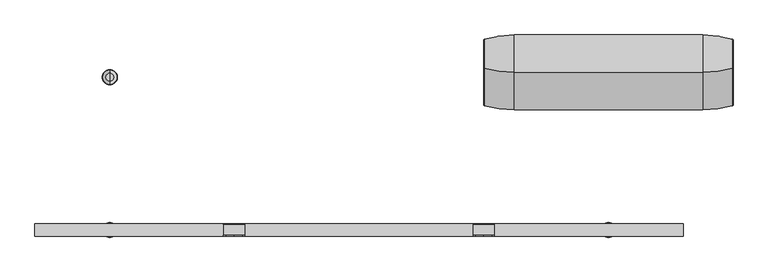
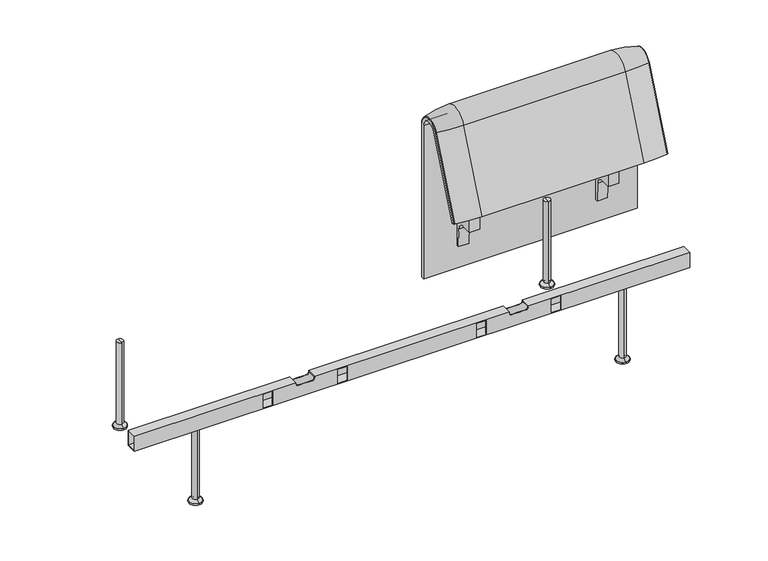
"""IFC4 building model written with IfcOpenShell, lengths in millimetres: furniture geometry."""

from ifc_helpers import new_model, si_unit, point, frame, frame_2d, origin, place, context, project, spatial, polyline, circle_curve, ellipse_curve, trimmed, segment, composite_curve, outline, extrude, source, transform, mapped, element, save
from ifc_brep_helpers import plane_surface, cylinder_surface, revolved_surface, advanced_brep


def furniture_ee4e52dd(model_context):
    return source(origin(), model_context, "Body", "SolidModel", [
        extrude(outline(composite_curve([segment(trimmed(circle_curve(frame_2d((305.0000061, 379.9223263)), 30.0), [point((305.0000061, 349.9223263))], [point((335.0000061, 379.9223263))], True, "CARTESIAN"), True, "CONTINUOUS"), segment(polyline([(335.0000061, 379.9223263), (335.0000061, 515.0657595)]), True, "CONTINUOUS"), segment(trimmed(circle_curve(frame_2d((305.0000061, 515.0657595)), 30.0), [point((335.0000061, 515.0657595))], [point((316.7219399, 542.6809051))], True, "CARTESIAN"), True, "CONTINUOUS"), segment(polyline([(316.7219399, 542.6809051), (257.4911714, 567.8228747)]), True, "CONTINUOUS"), segment(trimmed(circle_curve(frame_2d((251.6302045, 554.0153019)), 15.0), [point((257.4911714, 567.8228747))], [point((238.0355877, 560.3545758))], True, "CARTESIAN"), True, "CONTINUOUS"), segment(polyline([(238.0355877, 560.3545758), (222.2725218, 526.5505721), (213.7507451, 529.5682915), (296.3054528, 724.0549949)]), True, "CONTINUOUS"), segment(trimmed(circle_curve(frame_2d((322.520748, 712.9272623)), 28.479258), [point((296.3054528, 724.0549949))], [point((351.0000061, 712.9272623))], False, "CARTESIAN"), True, "CONTINUOUS"), segment(polyline([(351.0000061, 712.9272623), (351.0000061, 197.0551771), (343.3075759, 197.0551771), (339.4064861, 271.492405)]), True, "CONTINUOUS"), segment(trimmed(circle_curve(frame_2d((309.4476, 269.9223263)), 30.0), [point((339.4064861, 271.492405))], [point((309.4476, 299.9223263))], True, "CARTESIAN"), True, "CONTINUOUS"), segment(polyline([(309.4476, 299.9223263), (270.0000061, 299.9223263), (270.0000061, 359.9223263), (275.0000061, 359.9223263)]), True, "CONTINUOUS"), segment(trimmed(circle_curve(frame_2d((285.0000061, 359.9223263)), 10.0), [point((275.0000061, 359.9223263))], [point((285.0000061, 349.9223263))], True, "CARTESIAN"), True, "CONTINUOUS"), segment(polyline([(285.0000061, 349.9223263), (305.0000061, 349.9223263)]), True, "CONTINUOUS")], self_intersect=False), holes=[composite_curve([segment(polyline([(337.5000061, 576.3274105), (337.5000061, 716.7072663)]), True, "CONTINUOUS"), segment(trimmed(circle_curve(frame_2d((322.5000061, 716.7072663)), 15.0), [point((337.5000061, 716.7072663))], [point((308.9053893, 723.0465402))], True, "CARTESIAN"), True, "CONTINUOUS"), segment(polyline([(308.9053893, 723.0465402), (253.6256191, 604.4986904)]), True, "CONTINUOUS"), segment(trimmed(circle_curve(frame_2d((271.7517748, 596.0463251)), 20.0), [point((253.6256191, 604.4986904))], [point((265.0756376, 577.1934953))], True, "CARTESIAN"), True, "CONTINUOUS"), segment(polyline([(265.0756376, 577.1934953), (314.1406626, 559.8186587)]), True, "CONTINUOUS"), segment(trimmed(circle_curve(frame_2d((319.9867182, 576.3274105)), 17.5132879), [point((314.1406626, 559.8186587))], [point((337.5000061, 576.3274105))], True, "CARTESIAN"), True, "CONTINUOUS")], self_intersect=False)]), frame((1060.9760457, 0.0, 0.0), z_axis=(1.0, 0.0, 0.0), x_axis=(0.0, 1.0, 0.0)), (0.0, 0.0, 1.0), 40.0),
        advanced_brep(
        [(1123.9884174, 388.2902376, 100.5089435), (1221.8497889, 373.93893, 100.5089435), (1223.9884174, 371.0652495, 100.5089435), (1223.9884174, 359.7858817, 100.5089435), (407.9740803, 359.7858817, 100.5089435), (407.9740803, 371.0652495, 100.5089435), (410.1127088, 373.93893, 100.5089435), (507.9740803, 388.2902376, 100.5089435), (507.9740803, 388.2902376, 720.3417731), (1123.9884174, 388.2902376, 720.3417731), (1221.8497889, 373.93893, 720.3417731), (1223.9884174, 371.0652495, 720.3417731), (1223.9884174, 282.0164812, 738.0210907), (1223.9884174, 159.7723383, 442.2908598), (1223.9884174, 170.1962447, 437.9819952), (1223.9884174, 292.4403877, 733.7122262), (1223.9884174, 359.7858817, 720.3417731), (407.9740803, 359.7858817, 720.3417731), (1123.9884174, 143.8537454, 448.8710282), (507.9740803, 143.8537454, 448.8710282), (410.1127088, 157.1166065, 443.3886429), (407.9740803, 159.7723383, 442.2908598), (407.9740803, 170.1962447, 437.9819952), (1221.8497889, 157.1166065, 443.3886429), (1123.9884174, 266.0978884, 744.6012592), (507.9740803, 266.0978884, 744.6012592), (1221.8497889, 279.3607494, 739.1188739), (407.9740803, 292.4403877, 733.7122262), (407.9740803, 282.0164812, 738.0210907), (407.9740803, 371.0652495, 720.3417731), (410.1127088, 373.93893, 720.3417731), (410.1127088, 279.3607494, 739.1188739)],
        [
            (0, 1, circle_curve(frame((1123.9884174, 47.4569043, 100.5089435), z_axis=(0.0, 0.0, -1.0), x_axis=(0.0, -1.0, 0.0)), 340.8333333)),
            (1, 2, circle_curve(frame((1220.9884174, 371.0652495, 100.5089435), z_axis=(0.0, 0.0, -1.0), x_axis=(1.0, 0.0, 0.0)), 3.0)),
            (2, 3),
            (3, 4),
            (4, 5),
            (5, 6, circle_curve(frame((410.9740803, 371.0652495, 100.5089435), z_axis=(0.0, 0.0, -1.0), x_axis=(-1.0, 0.0, 0.0)), 3.0)),
            (6, 7, circle_curve(frame((507.9740803, 47.4569043, 100.5089435), z_axis=(0.0, 0.0, -1.0), x_axis=(0.0, -1.0, 0.0)), 340.8333333)),
            (7, 0),
            (7, 8),
            (8, 9),
            (9, 0),
            (9, 10, circle_curve(frame((1123.9884174, 47.4569043, 720.3417731), z_axis=(0.0, 0.0, -1.0), x_axis=(0.0, -1.0, 0.0)), 340.8333333)),
            (10, 1),
            (10, 11, circle_curve(frame((1220.9884174, 371.0652495, 720.3417731), z_axis=(0.0, 0.0, -1.0), x_axis=(1.0, 0.0, 0.0)), 3.0)),
            (11, 2),
            (11, 12, circle_curve(frame((1223.9884174, 324.7858817, 720.3417731), z_axis=(1.0, 0.0, 0.0), x_axis=(0.0, 1.0, 0.0)), 46.2793679)),
            (12, 13),
            (13, 14),
            (14, 15),
            (15, 16, circle_curve(frame((1223.9884174, 324.7858817, 720.3417731), z_axis=(-1.0, 0.0, 0.0), x_axis=(0.0, 1.0, 0.0)), 35.0)),
            (16, 3),
            (16, 17),
            (17, 4),
            (18, 19),
            (19, 20, circle_curve(frame((507.9740803, 458.8372467, 318.6682822), z_axis=(0.0, -0.38201294675155345, -0.9241569717933176), x_axis=(0.0, 0.9241569717933176, -0.38201294675155345)), 340.8333333)),
            (20, 21, circle_curve(frame((410.9740803, 159.7723383, 442.2908598), z_axis=(0.0, -0.38201294675155345, -0.9241569717933176), x_axis=(-1.0, 0.0, 0.0)), 3.0)),
            (21, 22),
            (22, 14),
            (13, 23, circle_curve(frame((1220.9884174, 159.7723383, 442.2908598), z_axis=(0.0, -0.38201294675155345, -0.9241569717933176), x_axis=(1.0, 0.0, 0.0)), 3.0)),
            (23, 18, circle_curve(frame((1123.9884174, 458.8372467, 318.6682822), z_axis=(0.0, -0.38201294675155345, -0.9241569717933176), x_axis=(0.0, 0.9241569717933176, -0.38201294675155345)), 340.8333333)),
            (24, 9, circle_curve(frame((1123.9884174, 324.7858817, 720.3417731), z_axis=(-1.0, 0.0, 0.0), x_axis=(0.0, 1.0, 0.0)), 63.5043559)),
            (8, 25, circle_curve(frame((507.9740803, 324.7858817, 720.3417731), z_axis=(1.0, 0.0, 0.0), x_axis=(0.0, 1.0, 0.0)), 63.5043559)),
            (25, 24),
            (26, 10, circle_curve(frame((1221.8497889, 324.7858817, 720.3417731), z_axis=(-1.0, 0.0, 0.0), x_axis=(0.0, 1.0, 0.0)), 49.1530483)),
            (24, 26, circle_curve(frame((1123.9884174, 581.0813896, 614.3985132), z_axis=(0.0, 0.382012946751556, 0.9241569717933165), x_axis=(0.0, 0.9241569717933165, -0.382012946751556)), 340.8333333)),
            (26, 12, circle_curve(frame((1220.9884174, 282.0164812, 738.0210907), z_axis=(0.0, 0.3820129467515552, 0.9241569717933168), x_axis=(1.0, 0.0, 0.0)), 3.0)),
            (27, 17, circle_curve(frame((407.9740803, 324.7858817, 720.3417731), z_axis=(-1.0, 0.0, 0.0), x_axis=(0.0, 1.0, 0.0)), 35.0)),
            (15, 27),
            (25, 19),
            (18, 24),
            (23, 26),
            (22, 27),
            (21, 28),
            (28, 29, circle_curve(frame((407.9740803, 324.7858817, 720.3417731), z_axis=(-1.0, 0.0, 0.0), x_axis=(0.0, 1.0, 0.0)), 46.2793679)),
            (29, 5),
            (29, 30, circle_curve(frame((410.9740803, 371.0652495, 720.3417731), z_axis=(0.0, 0.0, -1.0), x_axis=(-1.0, 0.0, 0.0)), 3.0)),
            (30, 6),
            (30, 8, circle_curve(frame((507.9740803, 47.4569043, 720.3417731), z_axis=(0.0, 0.0, -1.0), x_axis=(0.0, -1.0, 0.0)), 340.8333333)),
            (31, 30, circle_curve(frame((410.1127088, 324.7858817, 720.3417731), z_axis=(-1.0, 0.0, 0.0), x_axis=(0.0, 1.0, 0.0)), 49.1530483)),
            (28, 31, circle_curve(frame((410.9740803, 282.0164812, 738.0210907), z_axis=(0.0, 0.3820129467515544, 0.9241569717933172), x_axis=(-1.0, 0.0, 0.0)), 3.0)),
            (31, 25, circle_curve(frame((507.9740803, 581.0813896, 614.3985132), z_axis=(0.0, 0.3820129467515532, 0.9241569717933177), x_axis=(0.0, 0.9241569717933177, -0.3820129467515532)), 340.8333333)),
            (20, 31),
        ],
        [
            plane_surface(frame((820.7462721, 359.7858817, 100.5089435), z_axis=(0.0, 0.0, -1.0), x_axis=(1.0, 0.0, 0.0))),
            plane_surface(frame((507.9740803, 388.2902376, 100.5089435), z_axis=(0.0, 1.0, 0.0), x_axis=(0.0, 0.0, 1.0))),
            cylinder_surface(frame((1123.9884174, 47.4569043, 100.5089435), z_axis=(0.0, 0.0, -1.0), x_axis=(0.0, -1.0, 0.0)), 340.8333333),
            cylinder_surface(frame((1220.9884174, 371.0652495, 100.5089435), z_axis=(0.0, 0.0, -1.0), x_axis=(1.0, 0.0, 0.0)), 3.0),
            plane_surface(frame((1223.9884174, 371.0652495, 100.5089435), z_axis=(1.0, 0.0, 0.0), x_axis=(0.0, 0.0, 1.0))),
            plane_surface(frame((1223.9884174, 359.7858817, 100.5089435), z_axis=(0.0, -1.0, 0.0), x_axis=(0.0, 0.0, 1.0))),
            plane_surface(frame((820.7462721, 170.1962447, 437.9819952), z_axis=(0.0, -0.38201294675155345, -0.9241569717933176), x_axis=(1.0, 0.0, 0.0))),
            cylinder_surface(frame((820.7462721, 324.7858817, 720.3417731), z_axis=(1.0, 0.0, 0.0), x_axis=(0.0, 1.0, 0.0)), 63.5043559),
            revolved_surface(trimmed(ellipse_curve(frame((1123.9884174, 47.4569043, 720.3417731), z_axis=(0.0, 0.0, -1.0), x_axis=(0.0, -1.0, 0.0)), 340.8333333, 340.8333333), [point((1123.9884174, 388.2902376, 720.3417731))], [point((1221.8497889, 373.93893, 720.3417731))], True, "CARTESIAN"), (820.7462721, 324.7858817, 720.3417731), (1.0, 0.0, 0.0)),
            revolved_surface(trimmed(ellipse_curve(frame((1220.9884174, 371.0652495, 720.3417731), z_axis=(0.0, 0.0, -1.0), x_axis=(1.0, 0.0, 0.0)), 3.0, 3.0), [point((1221.8497889, 373.93893, 720.3417731))], [point((1223.9884174, 371.0652495, 720.3417731))], True, "CARTESIAN"), (820.7462721, 324.7858817, 720.3417731), (1.0, 0.0, 0.0)),
            revolved_surface(polyline([(1223.9884174, 359.7858817, 720.3417731), (407.9740803, 359.7858817, 720.3417731)]), (820.7462721, 324.7858817, 720.3417731), (1.0, 0.0, 0.0)),
            plane_surface(frame((507.9740803, 266.0978884, 744.6012592), z_axis=(0.0, -0.9241569717933176, 0.38201294675155356), x_axis=(0.0, -0.38201294675155356, -0.9241569717933176))),
            cylinder_surface(frame((1123.9884174, 581.0813896, 614.3985132), z_axis=(0.0, 0.38201294675155345, 0.9241569717933176), x_axis=(0.0, 0.9241569717933176, -0.38201294675155345)), 340.8333333),
            cylinder_surface(frame((1220.9884174, 282.0164812, 738.0210907), z_axis=(0.0, 0.38201294675155345, 0.9241569717933176), x_axis=(1.0, 0.0, 0.0)), 3.0),
            plane_surface(frame((1223.9884174, 292.4403877, 733.7122262), z_axis=(0.0, 0.9241569717933176, -0.38201294675155356), x_axis=(0.0, -0.38201294675155356, -0.9241569717933176))),
            plane_surface(frame((407.9740803, 359.7858817, 100.5089435), z_axis=(-1.0, 0.0, 0.0), x_axis=(0.0, 0.0, 1.0))),
            cylinder_surface(frame((410.9740803, 371.0652495, 100.5089435), z_axis=(0.0, 0.0, -1.0), x_axis=(-1.0, 0.0, 0.0)), 3.0),
            cylinder_surface(frame((507.9740803, 47.4569043, 100.5089435), z_axis=(0.0, 0.0, -1.0), x_axis=(0.0, -1.0, 0.0)), 340.8333333),
            revolved_surface(trimmed(ellipse_curve(frame((410.9740803, 371.0652495, 720.3417731), z_axis=(0.0, 0.0, -1.0), x_axis=(-1.0, 0.0, 0.0)), 3.0, 3.0), [point((407.9740803, 371.0652495, 720.3417731))], [point((410.1127088, 373.93893, 720.3417731))], True, "CARTESIAN"), (820.7462721, 324.7858817, 720.3417731), (1.0, 0.0, 0.0)),
            revolved_surface(trimmed(ellipse_curve(frame((507.9740803, 47.4569043, 720.3417731), z_axis=(0.0, 0.0, -1.0), x_axis=(0.0, -1.0, 0.0)), 340.8333333, 340.8333333), [point((410.1127088, 373.93893, 720.3417731))], [point((507.9740803, 388.2902376, 720.3417731))], True, "CARTESIAN"), (820.7462721, 324.7858817, 720.3417731), (1.0, 0.0, 0.0)),
            cylinder_surface(frame((410.9740803, 282.0164812, 738.0210907), z_axis=(0.0, 0.38201294675155345, 0.9241569717933176), x_axis=(-1.0, 0.0, 0.0)), 3.0),
            cylinder_surface(frame((507.9740803, 581.0813896, 614.3985132), z_axis=(0.0, 0.38201294675155345, 0.9241569717933176), x_axis=(0.0, 0.9241569717933176, -0.38201294675155345)), 340.8333333),
        ],
        [
            (0, [[1, 2, 3, 4, 5, 6, 7, 8]]),
            (1, [[-8, 9, 10, 11]]),
            (2, [[-1, -11, 12, 13]]),
            (3, [[-2, -13, 14, 15]]),
            (4, [[-3, -15, 16, 17, 18, 19, 20, 21]]),
            (5, [[-4, -21, 22, 23]]),
            (6, [[24, 25, 26, 27, 28, -18, 29, 30]]),
            (7, [[31, -10, 32, 33]]),
            (8, [[34, -12, -31, 35]]),
            (9, [[-16, -14, -34, 36]]),
            (10, [[37, -22, -20, 38]]),
            (11, [[-33, 39, -24, 40]]),
            (12, [[-35, -40, -30, 41]]),
            (13, [[-36, -41, -29, -17]]),
            (14, [[-38, -19, -28, 42]]),
            (15, [[-5, -23, -37, -42, -27, 43, 44, 45]]),
            (16, [[-6, -45, 46, 47]]),
            (17, [[-7, -47, 48, -9]]),
            (18, [[49, -46, -44, 50]]),
            (19, [[-32, -48, -49, 51]]),
            (20, [[-50, -43, -26, 52]]),
            (21, [[-51, -52, -25, -39]]),
        ],
    ),
        extrude(outline(composite_curve([segment(trimmed(circle_curve(frame_2d((305.0000061, 379.9223263)), 30.0), [point((305.0000061, 349.9223263))], [point((335.0000061, 379.9223263))], True, "CARTESIAN"), True, "CONTINUOUS"), segment(polyline([(335.0000061, 379.9223263), (335.0000061, 515.0657595)]), True, "CONTINUOUS"), segment(trimmed(circle_curve(frame_2d((305.0000061, 515.0657595)), 30.0), [point((335.0000061, 515.0657595))], [point((316.7219399, 542.6809051))], True, "CARTESIAN"), True, "CONTINUOUS"), segment(polyline([(316.7219399, 542.6809051), (257.4911714, 567.8228747)]), True, "CONTINUOUS"), segment(trimmed(circle_curve(frame_2d((251.6302045, 554.0153019)), 15.0), [point((257.4911714, 567.8228747))], [point((238.0355877, 560.3545758))], True, "CARTESIAN"), True, "CONTINUOUS"), segment(polyline([(238.0355877, 560.3545758), (222.2725218, 526.5505721), (213.7507451, 529.5682915), (296.3054528, 724.0549949)]), True, "CONTINUOUS"), segment(trimmed(circle_curve(frame_2d((322.520748, 712.9272623)), 28.479258), [point((296.3054528, 724.0549949))], [point((351.0000061, 712.9272623))], False, "CARTESIAN"), True, "CONTINUOUS"), segment(polyline([(351.0000061, 712.9272623), (351.0000061, 197.0551771), (343.3075759, 197.0551771), (339.4064861, 271.492405)]), True, "CONTINUOUS"), segment(trimmed(circle_curve(frame_2d((309.4476, 269.9223263)), 30.0), [point((339.4064861, 271.492405))], [point((309.4476, 299.9223263))], True, "CARTESIAN"), True, "CONTINUOUS"), segment(polyline([(309.4476, 299.9223263), (270.0000061, 299.9223263), (270.0000061, 359.9223263), (275.0000061, 359.9223263)]), True, "CONTINUOUS"), segment(trimmed(circle_curve(frame_2d((285.0000061, 359.9223263)), 10.0), [point((275.0000061, 359.9223263))], [point((285.0000061, 349.9223263))], True, "CARTESIAN"), True, "CONTINUOUS"), segment(polyline([(285.0000061, 349.9223263), (305.0000061, 349.9223263)]), True, "CONTINUOUS")], self_intersect=False), holes=[composite_curve([segment(polyline([(337.5000061, 576.3274105), (337.5000061, 716.7072663)]), True, "CONTINUOUS"), segment(trimmed(circle_curve(frame_2d((322.5000061, 716.7072663)), 15.0), [point((337.5000061, 716.7072663))], [point((308.9053893, 723.0465402))], True, "CARTESIAN"), True, "CONTINUOUS"), segment(polyline([(308.9053893, 723.0465402), (253.6256191, 604.4986904)]), True, "CONTINUOUS"), segment(trimmed(circle_curve(frame_2d((271.7517748, 596.0463251)), 20.0), [point((253.6256191, 604.4986904))], [point((265.0756376, 577.1934953))], True, "CARTESIAN"), True, "CONTINUOUS"), segment(polyline([(265.0756376, 577.1934953), (314.1406626, 559.8186587)]), True, "CONTINUOUS"), segment(trimmed(circle_curve(frame_2d((319.9867182, 576.3274105)), 17.5132879), [point((314.1406626, 559.8186587))], [point((337.5000061, 576.3274105))], True, "CARTESIAN"), True, "CONTINUOUS")], self_intersect=False)]), frame((530.986452, 0.0, 0.0), z_axis=(1.0, 0.0, 0.0), x_axis=(0.0, 1.0, 0.0)), (0.0, 0.0, 1.0), 40.0),
        advanced_brep(
        [(815.9812488, -250.0000031, 0.0), (815.9812488, -225.0000031, 0.0), (815.9812488, -275.0000031, 0.0), (815.9812488, -262.4715672, 344.8637637), (815.9812488, -237.5284391, 344.8637637), (815.9812488, -250.0000031, 344.8637637), (815.9812488, -262.4715672, 16.2604994), (815.9812488, -237.5284391, 16.2604994), (815.9812488, -273.2294713, 5.5025953), (815.9812488, -226.770535, 5.5025953), (815.9812488, -275.0000031, 5.5025953), (815.9812488, -225.0000031, 5.5025953)],
        [
            (0, 1),
            (1, 2, circle_curve(frame((815.9812488, -250.0000031, 0.0), z_axis=(0.0, 0.0, -1.0), x_axis=(0.0, 1.0, 0.0)), 25.0)),
            (2, 0),
            (2, 1, circle_curve(frame((815.9812488, -250.0000031, 0.0), z_axis=(0.0, 0.0, -1.0), x_axis=(0.0, 1.0, 0.0)), 25.0)),
            (3, 4, circle_curve(frame((815.9812488, -250.0000031, 344.8637637), z_axis=(0.0, 0.0, 1.0), x_axis=(0.0, 1.0, 0.0)), 12.471564)),
            (4, 5),
            (5, 3),
            (4, 3, circle_curve(frame((815.9812488, -250.0000031, 344.8637637), z_axis=(0.0, 0.0, 1.0), x_axis=(0.0, 1.0, 0.0)), 12.471564)),
            (6, 7, circle_curve(frame((815.9812488, -250.0000031, 16.2604994), z_axis=(0.0, 0.0, 1.0), x_axis=(0.0, 1.0, 0.0)), 12.471564)),
            (7, 4),
            (3, 6),
            (7, 6, circle_curve(frame((815.9812488, -250.0000031, 16.2604994), z_axis=(0.0, 0.0, 1.0), x_axis=(0.0, 1.0, 0.0)), 12.471564)),
            (8, 9, circle_curve(frame((815.9812488, -250.0000031, 5.5025953), z_axis=(0.0, 0.0, 1.0), x_axis=(0.0, 1.0, 0.0)), 23.2294681)),
            (9, 7, circle_curve(frame((815.9812488, -226.770535, 16.2604994), z_axis=(-1.0, 0.0, 0.0), x_axis=(0.0, 1.0, 0.0)), 10.7579041)),
            (6, 8, circle_curve(frame((815.9812488, -273.2294713, 16.2604994), z_axis=(-1.0, 0.0, 0.0), x_axis=(0.0, -1.0, 0.0)), 10.7579041)),
            (9, 8, circle_curve(frame((815.9812488, -250.0000031, 5.5025953), z_axis=(0.0, 0.0, 1.0), x_axis=(0.0, 1.0, 0.0)), 23.2294681)),
            (10, 11, circle_curve(frame((815.9812488, -250.0000031, 5.5025953), z_axis=(0.0, 0.0, 1.0), x_axis=(0.0, 1.0, 0.0)), 25.0)),
            (11, 9),
            (8, 10),
            (11, 10, circle_curve(frame((815.9812488, -250.0000031, 5.5025953), z_axis=(0.0, 0.0, 1.0), x_axis=(0.0, 1.0, 0.0)), 25.0)),
            (1, 11),
            (10, 2),
        ],
        [
            plane_surface(frame((815.9812488, -250.0000031, 0.0), z_axis=(0.0, 0.0, -1.0), x_axis=(0.0, 1.0, 0.0))),
            plane_surface(frame((815.9812488, -250.0000031, 344.8637637), z_axis=(0.0, 0.0, 1.0), x_axis=(0.0, 1.0, 0.0))),
            cylinder_surface(frame((815.9812488, -250.0000031, 344.8637637), z_axis=(0.0, 0.0, -1.0), x_axis=(0.0, 1.0, 0.0)), 12.471564),
            revolved_surface(trimmed(ellipse_curve(frame((815.9812488, -226.770535, 16.2604994), z_axis=(1.0, 0.0, 0.0), x_axis=(0.0, 1.0, 0.0)), 10.7579041, 10.7579041), [point((815.9812488, -237.5284391, 16.2604994))], [point((815.9812488, -226.770535, 5.5025953))], True, "CARTESIAN"), (815.9812488, -250.0000031, 344.8637637), (0.0, 0.0, -1.0)),
            plane_surface(frame((815.9812488, -250.0000031, 5.5025953), z_axis=(0.0, 0.0, 1.0), x_axis=(0.0, 1.0, 0.0))),
            cylinder_surface(frame((815.9812488, -250.0000031, 344.8637637), z_axis=(0.0, 0.0, -1.0), x_axis=(0.0, 1.0, 0.0)), 25.0),
        ],
        [
            (0, [[1, 2, 3]]),
            (0, [[-3, 4, -1]]),
            (1, [[5, 6, 7]]),
            (1, [[8, -7, -6]]),
            (2, [[9, 10, -5, 11]]),
            (2, [[12, -11, -8, -10]]),
            (3, [[13, 14, -9, 15]]),
            (3, [[16, -15, -12, -14]]),
            (4, [[17, 18, -13, 19]]),
            (4, [[20, -19, -16, -18]]),
            (5, [[-2, 21, -17, 22]]),
            (5, [[-4, -22, -20, -21]]),
        ],
    ),
        advanced_brep(
        [(815.9812488, 275.0000031, 0.0), (815.9812488, 225.0000031, 0.0), (815.9812488, 250.0000031, 0.0), (815.9812488, 250.0000031, 344.8637637), (815.9812488, 237.5284391, 344.8637637), (815.9812488, 262.4715672, 344.8637637), (815.9812488, 237.5284391, 16.2604994), (815.9812488, 262.4715672, 16.2604994), (815.9812488, 226.770535, 5.5025953), (815.9812488, 273.2294713, 5.5025953), (815.9812488, 225.0000031, 5.5025953), (815.9812488, 275.0000031, 5.5025953)],
        [
            (0, 1, circle_curve(frame((815.9812488, 250.0000031, 0.0), z_axis=(0.0, 0.0, -1.0), x_axis=(0.0, -1.0, 0.0)), 25.0)),
            (1, 2),
            (2, 0),
            (1, 0, circle_curve(frame((815.9812488, 250.0000031, 0.0), z_axis=(0.0, 0.0, -1.0), x_axis=(0.0, -1.0, 0.0)), 25.0)),
            (3, 4),
            (4, 5, circle_curve(frame((815.9812488, 250.0000031, 344.8637637), z_axis=(0.0, 0.0, 1.0), x_axis=(0.0, -1.0, 0.0)), 12.471564)),
            (5, 3),
            (5, 4, circle_curve(frame((815.9812488, 250.0000031, 344.8637637), z_axis=(0.0, 0.0, 1.0), x_axis=(0.0, -1.0, 0.0)), 12.471564)),
            (4, 6),
            (6, 7, circle_curve(frame((815.9812488, 250.0000031, 16.2604994), z_axis=(0.0, 0.0, 1.0), x_axis=(0.0, -1.0, 0.0)), 12.471564)),
            (7, 5),
            (7, 6, circle_curve(frame((815.9812488, 250.0000031, 16.2604994), z_axis=(0.0, 0.0, 1.0), x_axis=(0.0, -1.0, 0.0)), 12.471564)),
            (6, 8, circle_curve(frame((815.9812488, 226.770535, 16.2604994), z_axis=(-1.0, 0.0, 0.0), x_axis=(0.0, -1.0, 0.0)), 10.7579041)),
            (8, 9, circle_curve(frame((815.9812488, 250.0000031, 5.5025953), z_axis=(0.0, 0.0, 1.0), x_axis=(0.0, -1.0, 0.0)), 23.2294681)),
            (9, 7, circle_curve(frame((815.9812488, 273.2294713, 16.2604994), z_axis=(-1.0, 0.0, 0.0), x_axis=(0.0, 1.0, 0.0)), 10.7579041)),
            (9, 8, circle_curve(frame((815.9812488, 250.0000031, 5.5025953), z_axis=(0.0, 0.0, 1.0), x_axis=(0.0, -1.0, 0.0)), 23.2294681)),
            (8, 10),
            (10, 11, circle_curve(frame((815.9812488, 250.0000031, 5.5025953), z_axis=(0.0, 0.0, 1.0), x_axis=(0.0, -1.0, 0.0)), 25.0)),
            (11, 9),
            (11, 10, circle_curve(frame((815.9812488, 250.0000031, 5.5025953), z_axis=(0.0, 0.0, 1.0), x_axis=(0.0, -1.0, 0.0)), 25.0)),
            (10, 1),
            (0, 11),
        ],
        [
            plane_surface(frame((815.9812488, 250.0000031, 0.0), z_axis=(0.0, 0.0, -1.0), x_axis=(0.0, -1.0, 0.0))),
            plane_surface(frame((815.9812488, 250.0000031, 344.8637637), z_axis=(0.0, 0.0, 1.0), x_axis=(0.0, -1.0, 0.0))),
            cylinder_surface(frame((815.9812488, 250.0000031, 344.8637637), z_axis=(0.0, 0.0, 1.0), x_axis=(0.0, -1.0, 0.0)), 12.471564),
            revolved_surface(trimmed(ellipse_curve(frame((815.9812488, 226.770535, 16.2604994), z_axis=(1.0, 0.0, 0.0), x_axis=(0.0, -1.0, 0.0)), 10.7579041, 10.7579041), [point((815.9812488, 226.770535, 5.5025953))], [point((815.9812488, 237.5284391, 16.2604994))], True, "CARTESIAN"), (815.9812488, 250.0000031, 344.8637637), (0.0, 0.0, 1.0)),
            plane_surface(frame((815.9812488, 250.0000031, 5.5025953), z_axis=(0.0, 0.0, 1.0), x_axis=(0.0, -1.0, 0.0))),
            cylinder_surface(frame((815.9812488, 250.0000031, 344.8637637), z_axis=(0.0, 0.0, 1.0), x_axis=(0.0, -1.0, 0.0)), 25.0),
        ],
        [
            (0, [[1, 2, 3]]),
            (0, [[4, -3, -2]]),
            (1, [[5, 6, 7]]),
            (1, [[-7, 8, -5]]),
            (2, [[-6, 9, 10, 11]]),
            (2, [[-8, -11, 12, -9]]),
            (3, [[-10, 13, 14, 15]]),
            (3, [[-12, -15, 16, -13]]),
            (4, [[-14, 17, 18, 19]]),
            (4, [[-16, -19, 20, -17]]),
            (5, [[-18, 21, -1, 22]]),
            (5, [[-20, -22, -4, -21]]),
        ],
    ),
        advanced_brep(
        [(-815.9812488, -275.0000031, 0.0), (-815.9812488, -225.0000031, 0.0), (-815.9812488, -250.0000031, 0.0), (-815.9812488, -250.0000031, 344.8637637), (-815.9812488, -237.5284391, 344.8637637), (-815.9812488, -262.4715672, 344.8637637), (-815.9812488, -237.5284391, 16.2604994), (-815.9812488, -262.4715672, 16.2604994), (-815.9812488, -226.770535, 5.5025953), (-815.9812488, -273.2294713, 5.5025953), (-815.9812488, -225.0000031, 5.5025953), (-815.9812488, -275.0000031, 5.5025953)],
        [
            (0, 1, circle_curve(frame((-815.9812488, -250.0000031, 0.0), z_axis=(0.0, 0.0, -1.0), x_axis=(0.0, 1.0, 0.0)), 25.0)),
            (1, 2),
            (2, 0),
            (1, 0, circle_curve(frame((-815.9812488, -250.0000031, 0.0), z_axis=(0.0, 0.0, -1.0), x_axis=(0.0, 1.0, 0.0)), 25.0)),
            (3, 4),
            (4, 5, circle_curve(frame((-815.9812488, -250.0000031, 344.8637637), z_axis=(0.0, 0.0, 1.0), x_axis=(0.0, 1.0, 0.0)), 12.471564)),
            (5, 3),
            (5, 4, circle_curve(frame((-815.9812488, -250.0000031, 344.8637637), z_axis=(0.0, 0.0, 1.0), x_axis=(0.0, 1.0, 0.0)), 12.471564)),
            (4, 6),
            (6, 7, circle_curve(frame((-815.9812488, -250.0000031, 16.2604994), z_axis=(0.0, 0.0, 1.0), x_axis=(0.0, 1.0, 0.0)), 12.471564)),
            (7, 5),
            (7, 6, circle_curve(frame((-815.9812488, -250.0000031, 16.2604994), z_axis=(0.0, 0.0, 1.0), x_axis=(0.0, 1.0, 0.0)), 12.471564)),
            (6, 8, circle_curve(frame((-815.9812488, -226.770535, 16.2604994), z_axis=(1.0, 0.0, 0.0), x_axis=(0.0, 1.0, 0.0)), 10.7579041)),
            (8, 9, circle_curve(frame((-815.9812488, -250.0000031, 5.5025953), z_axis=(0.0, 0.0, 1.0), x_axis=(0.0, 1.0, 0.0)), 23.2294681)),
            (9, 7, circle_curve(frame((-815.9812488, -273.2294713, 16.2604994), z_axis=(1.0, 0.0, 0.0), x_axis=(0.0, -1.0, 0.0)), 10.7579041)),
            (9, 8, circle_curve(frame((-815.9812488, -250.0000031, 5.5025953), z_axis=(0.0, 0.0, 1.0), x_axis=(0.0, 1.0, 0.0)), 23.2294681)),
            (8, 10),
            (10, 11, circle_curve(frame((-815.9812488, -250.0000031, 5.5025953), z_axis=(0.0, 0.0, 1.0), x_axis=(0.0, 1.0, 0.0)), 25.0)),
            (11, 9),
            (11, 10, circle_curve(frame((-815.9812488, -250.0000031, 5.5025953), z_axis=(0.0, 0.0, 1.0), x_axis=(0.0, 1.0, 0.0)), 25.0)),
            (10, 1),
            (0, 11),
        ],
        [
            plane_surface(frame((-815.9812488, -250.0000031, 0.0), z_axis=(0.0, 0.0, -1.0), x_axis=(0.0, 1.0, 0.0))),
            plane_surface(frame((-815.9812488, -250.0000031, 344.8637637), z_axis=(0.0, 0.0, 1.0), x_axis=(0.0, 1.0, 0.0))),
            cylinder_surface(frame((-815.9812488, -250.0000031, 344.8637637), z_axis=(0.0, 0.0, 1.0), x_axis=(0.0, 1.0, 0.0)), 12.471564),
            revolved_surface(trimmed(ellipse_curve(frame((-815.9812488, -226.770535, 16.2604994), z_axis=(-1.0, 0.0, 0.0), x_axis=(0.0, 1.0, 0.0)), 10.7579041, 10.7579041), [point((-815.9812488, -226.770535, 5.5025953))], [point((-815.9812488, -237.5284391, 16.2604994))], True, "CARTESIAN"), (-815.9812488, -250.0000031, 344.8637637), (0.0, 0.0, 1.0)),
            plane_surface(frame((-815.9812488, -250.0000031, 5.5025953), z_axis=(0.0, 0.0, 1.0), x_axis=(0.0, 1.0, 0.0))),
            cylinder_surface(frame((-815.9812488, -250.0000031, 344.8637637), z_axis=(0.0, 0.0, 1.0), x_axis=(0.0, 1.0, 0.0)), 25.0),
        ],
        [
            (0, [[1, 2, 3]]),
            (0, [[4, -3, -2]]),
            (1, [[5, 6, 7]]),
            (1, [[-7, 8, -5]]),
            (2, [[-6, 9, 10, 11]]),
            (2, [[-8, -11, 12, -9]]),
            (3, [[-10, 13, 14, 15]]),
            (3, [[-12, -15, 16, -13]]),
            (4, [[-14, 17, 18, 19]]),
            (4, [[-16, -19, 20, -17]]),
            (5, [[-18, 21, -1, 22]]),
            (5, [[-20, -22, -4, -21]]),
        ],
    ),
        advanced_brep(
        [(-815.9812488, 250.0000031, 0.0), (-815.9812488, 225.0000031, 0.0), (-815.9812488, 275.0000031, 0.0), (-815.9812488, 262.4715672, 344.8637637), (-815.9812488, 237.5284391, 344.8637637), (-815.9812488, 250.0000031, 344.8637637), (-815.9812488, 262.4715672, 16.2604994), (-815.9812488, 237.5284391, 16.2604994), (-815.9812488, 273.2294713, 5.5025953), (-815.9812488, 226.770535, 5.5025953), (-815.9812488, 275.0000031, 5.5025953), (-815.9812488, 225.0000031, 5.5025953)],
        [
            (0, 1),
            (1, 2, circle_curve(frame((-815.9812488, 250.0000031, 0.0), z_axis=(0.0, 0.0, -1.0), x_axis=(0.0, -1.0, 0.0)), 25.0)),
            (2, 0),
            (2, 1, circle_curve(frame((-815.9812488, 250.0000031, 0.0), z_axis=(0.0, 0.0, -1.0), x_axis=(0.0, -1.0, 0.0)), 25.0)),
            (3, 4, circle_curve(frame((-815.9812488, 250.0000031, 344.8637637), z_axis=(0.0, 0.0, 1.0), x_axis=(0.0, -1.0, 0.0)), 12.471564)),
            (4, 5),
            (5, 3),
            (4, 3, circle_curve(frame((-815.9812488, 250.0000031, 344.8637637), z_axis=(0.0, 0.0, 1.0), x_axis=(0.0, -1.0, 0.0)), 12.471564)),
            (6, 7, circle_curve(frame((-815.9812488, 250.0000031, 16.2604994), z_axis=(0.0, 0.0, 1.0), x_axis=(0.0, -1.0, 0.0)), 12.471564)),
            (7, 4),
            (3, 6),
            (7, 6, circle_curve(frame((-815.9812488, 250.0000031, 16.2604994), z_axis=(0.0, 0.0, 1.0), x_axis=(0.0, -1.0, 0.0)), 12.471564)),
            (8, 9, circle_curve(frame((-815.9812488, 250.0000031, 5.5025953), z_axis=(0.0, 0.0, 1.0), x_axis=(0.0, -1.0, 0.0)), 23.2294681)),
            (9, 7, circle_curve(frame((-815.9812488, 226.770535, 16.2604994), z_axis=(1.0, 0.0, 0.0), x_axis=(0.0, -1.0, 0.0)), 10.7579041)),
            (6, 8, circle_curve(frame((-815.9812488, 273.2294713, 16.2604994), z_axis=(1.0, 0.0, 0.0), x_axis=(0.0, 1.0, 0.0)), 10.7579041)),
            (9, 8, circle_curve(frame((-815.9812488, 250.0000031, 5.5025953), z_axis=(0.0, 0.0, 1.0), x_axis=(0.0, -1.0, 0.0)), 23.2294681)),
            (10, 11, circle_curve(frame((-815.9812488, 250.0000031, 5.5025953), z_axis=(0.0, 0.0, 1.0), x_axis=(0.0, -1.0, 0.0)), 25.0)),
            (11, 9),
            (8, 10),
            (11, 10, circle_curve(frame((-815.9812488, 250.0000031, 5.5025953), z_axis=(0.0, 0.0, 1.0), x_axis=(0.0, -1.0, 0.0)), 25.0)),
            (1, 11),
            (10, 2),
        ],
        [
            plane_surface(frame((-815.9812488, 250.0000031, 0.0), z_axis=(0.0, 0.0, -1.0), x_axis=(0.0, -1.0, 0.0))),
            plane_surface(frame((-815.9812488, 250.0000031, 344.8637637), z_axis=(0.0, 0.0, 1.0), x_axis=(0.0, -1.0, 0.0))),
            cylinder_surface(frame((-815.9812488, 250.0000031, 344.8637637), z_axis=(0.0, 0.0, -1.0), x_axis=(0.0, -1.0, 0.0)), 12.471564),
            revolved_surface(trimmed(ellipse_curve(frame((-815.9812488, 226.770535, 16.2604994), z_axis=(-1.0, 0.0, 0.0), x_axis=(0.0, -1.0, 0.0)), 10.7579041, 10.7579041), [point((-815.9812488, 237.5284391, 16.2604994))], [point((-815.9812488, 226.770535, 5.5025953))], True, "CARTESIAN"), (-815.9812488, 250.0000031, 344.8637637), (0.0, 0.0, -1.0)),
            plane_surface(frame((-815.9812488, 250.0000031, 5.5025953), z_axis=(0.0, 0.0, 1.0), x_axis=(0.0, -1.0, 0.0))),
            cylinder_surface(frame((-815.9812488, 250.0000031, 344.8637637), z_axis=(0.0, 0.0, -1.0), x_axis=(0.0, -1.0, 0.0)), 25.0),
        ],
        [
            (0, [[1, 2, 3]]),
            (0, [[-3, 4, -1]]),
            (1, [[5, 6, 7]]),
            (1, [[8, -7, -6]]),
            (2, [[9, 10, -5, 11]]),
            (2, [[12, -11, -8, -10]]),
            (3, [[13, 14, -9, 15]]),
            (3, [[16, -15, -12, -14]]),
            (4, [[17, 18, -13, 19]]),
            (4, [[20, -19, -16, -18]]),
            (5, [[-2, 21, -17, 22]]),
            (5, [[-4, -22, -20, -21]]),
        ],
    ),
        advanced_brep(
        [(-407.9906244, -230.0000056, 346.6346058), (-407.9906244, -232.0000018, 346.6346058), (-381.9939756, -232.0000018, 346.6346058), (-381.9939756, -230.0000056, 346.6346058), (-407.9906244, -268.0000023, 346.6346058), (-407.9906244, -270.0000061, 346.6346058), (-381.9939756, -270.0000061, 346.6346058), (-381.9939756, -268.0000023, 346.6346058), (-371.9939756, -232.0000018, 356.6346058), (-371.9939756, -230.0000056, 356.6346058), (-371.9939756, -270.0000061, 356.6346058), (-371.9939756, -268.0000023, 356.6346058), (-371.9939756, -232.0000018, 357.9224338), (-371.9939756, -268.0000023, 357.9224338), (-371.9939756, -270.0000061, 359.922434), (-371.9939756, -230.0000056, 359.922434), (-443.9872732, -232.0000018, 356.6346058), (-443.9872732, -230.0000056, 356.6346058), (-443.9872732, -230.0000056, 359.922434), (-443.9872732, -270.0000061, 359.922434), (-443.9872732, -270.0000061, 356.6346058), (-443.9872732, -268.0000023, 356.6346058), (-443.9872732, -268.0000023, 357.9224338), (-443.9872732, -232.0000018, 357.9224338), (-433.9872732, -230.0000056, 346.6346058), (-433.9872732, -232.0000018, 346.6346058), (-433.9872732, -268.0000023, 346.6346058), (-433.9872732, -270.0000061, 346.6346058), (1060.9822296, -230.0000056, 359.922434), (1060.9822296, -270.0000061, 359.922434), (1060.9822296, -270.0000061, 299.9223263), (1060.9822296, -230.0000056, 299.9223263), (1060.9822296, -268.0000023, 301.9086098), (1060.9822296, -268.0000023, 357.9224338), (1060.9822296, -232.0000018, 357.9224338), (1060.9822296, -232.0000018, 301.9086098), (-1060.9822296, -230.0000056, 359.922434), (-1060.9822296, -230.0000056, 299.9223263), (-1060.9822296, -270.0000061, 299.9223263), (-1060.9822296, -270.0000061, 359.922434), (-1060.9822296, -268.0000023, 301.9086098), (-1060.9822296, -232.0000018, 301.9086098), (-1060.9822296, -232.0000018, 357.9224338), (-1060.9822296, -268.0000023, 357.9224338), (371.9939756, -230.0000056, 359.922434), (371.9939756, -230.0000056, 356.6346058), (381.9939756, -230.0000056, 346.6346058), (407.9906244, -230.0000056, 346.6346058), (433.9872732, -230.0000056, 346.6346058), (443.9872732, -230.0000056, 356.6346058), (443.9872732, -230.0000056, 359.922434), (443.9872732, -270.0000061, 359.922434), (443.9872732, -270.0000061, 356.6346058), (433.9872732, -270.0000061, 346.6346058), (407.9906244, -270.0000061, 346.6346058), (381.9939756, -270.0000061, 346.6346058), (371.9939756, -270.0000061, 356.6346058), (371.9939756, -270.0000061, 359.922434), (-568.96075, -270.0000061, 357.9224338), (-532.9720684, -270.0000061, 357.9224338), (-532.9720684, -270.0000061, 301.9086098), (-568.96075, -270.0000061, 301.9086098), (-283.0091805, -270.0000061, 357.9224338), (-247.0204988, -270.0000061, 357.9224338), (-247.0204988, -270.0000061, 301.9086098), (-283.0091805, -270.0000061, 301.9086098), (247.0204988, -270.0000061, 357.9224338), (283.0091805, -270.0000061, 357.9224338), (283.0091805, -270.0000061, 301.9086098), (247.0204988, -270.0000061, 301.9086098), (532.9720684, -270.0000061, 357.9224338), (568.96075, -270.0000061, 357.9224338), (568.96075, -270.0000061, 301.9086098), (532.9720684, -270.0000061, 301.9086098), (-568.96075, -268.0000023, 301.9086098), (-532.9720684, -268.0000023, 301.9086098), (-283.0091805, -268.0000023, 301.9086098), (-247.0204988, -268.0000023, 301.9086098), (247.0204988, -268.0000023, 301.9086098), (283.0091805, -268.0000023, 301.9086098), (532.9720684, -268.0000023, 301.9086098), (568.96075, -268.0000023, 301.9086098), (443.9872732, -232.0000018, 357.9224338), (443.9872732, -232.0000018, 356.6346058), (433.9872732, -232.0000018, 346.6346058), (407.9906244, -232.0000018, 346.6346058), (381.9939756, -232.0000018, 346.6346058), (371.9939756, -232.0000018, 356.6346058), (371.9939756, -232.0000018, 357.9224338), (568.96075, -268.0000023, 357.9224338), (532.9720684, -268.0000023, 357.9224338), (443.9872732, -268.0000023, 357.9224338), (-532.9720684, -268.0000023, 357.9224338), (-568.96075, -268.0000023, 357.9224338), (371.9939756, -268.0000023, 357.9224338), (283.0091805, -268.0000023, 357.9224338), (247.0204988, -268.0000023, 357.9224338), (-247.0204988, -268.0000023, 357.9224338), (-283.0091805, -268.0000023, 357.9224338), (407.9906244, -268.0000023, 346.6346058), (433.9872732, -268.0000023, 346.6346058), (443.9872732, -268.0000023, 356.6346058), (371.9939756, -268.0000023, 356.6346058), (381.9939756, -268.0000023, 346.6346058)],
        [
            (0, 1),
            (1, 2),
            (2, 3),
            (3, 0),
            (4, 5),
            (5, 6),
            (6, 7),
            (7, 4),
            (2, 8, circle_curve(frame((-381.9939756, -232.0000018, 356.6346058), z_axis=(0.0, -1.0, 0.0), x_axis=(-1.0, 0.0, 0.0)), 10.0)),
            (8, 9),
            (9, 3, circle_curve(frame((-381.9939756, -230.0000056, 356.6346058), z_axis=(0.0, 1.0, 0.0), x_axis=(-1.0, 0.0, 0.0)), 10.0)),
            (6, 10, circle_curve(frame((-381.9939756, -270.0000061, 356.6346058), z_axis=(0.0, -1.0, 0.0), x_axis=(-1.0, 0.0, 0.0)), 10.0)),
            (10, 11),
            (11, 7, circle_curve(frame((-381.9939756, -268.0000023, 356.6346058), z_axis=(0.0, 1.0, 0.0), x_axis=(-1.0, 0.0, 0.0)), 10.0)),
            (8, 12),
            (12, 13),
            (13, 11),
            (10, 14),
            (14, 15),
            (15, 9),
            (16, 17),
            (17, 18),
            (18, 19),
            (19, 20),
            (20, 21),
            (21, 22),
            (22, 23),
            (23, 16),
            (0, 24),
            (24, 25),
            (25, 1),
            (4, 26),
            (26, 27),
            (27, 5),
            (24, 17, circle_curve(frame((-433.9872732, -230.0000056, 356.6346058), z_axis=(0.0, 1.0, 0.0), x_axis=(1.0, 0.0, 0.0)), 10.0)),
            (16, 25, circle_curve(frame((-433.9872732, -232.0000018, 356.6346058), z_axis=(0.0, -1.0, 0.0), x_axis=(1.0, 0.0, 0.0)), 10.0)),
            (26, 21, circle_curve(frame((-433.9872732, -268.0000023, 356.6346058), z_axis=(0.0, 1.0, 0.0), x_axis=(1.0, 0.0, 0.0)), 10.0)),
            (20, 27, circle_curve(frame((-433.9872732, -270.0000061, 356.6346058), z_axis=(0.0, -1.0, 0.0), x_axis=(1.0, 0.0, 0.0)), 10.0)),
            (28, 29),
            (29, 30),
            (30, 31),
            (31, 28),
            (32, 33),
            (33, 34),
            (34, 35),
            (35, 32),
            (36, 37),
            (37, 38),
            (38, 39),
            (39, 36),
            (40, 41),
            (41, 42),
            (42, 43),
            (43, 40),
            (31, 37),
            (36, 18),
            (15, 44),
            (44, 45),
            (45, 46, circle_curve(frame((381.9939756, -230.0000056, 356.6346058), z_axis=(0.0, -1.0, 0.0), x_axis=(1.0, 0.0, 0.0)), 10.0)),
            (46, 47),
            (47, 48),
            (48, 49, circle_curve(frame((433.9872732, -230.0000056, 356.6346058), z_axis=(0.0, -1.0, 0.0), x_axis=(-1.0, 0.0, 0.0)), 10.0)),
            (49, 50),
            (50, 28),
            (30, 38),
            (29, 51),
            (51, 52),
            (52, 53, circle_curve(frame((433.9872732, -270.0000061, 356.6346058), z_axis=(0.0, 1.0, 0.0), x_axis=(-1.0, 0.0, 0.0)), 10.0)),
            (53, 54),
            (54, 55),
            (55, 56, circle_curve(frame((381.9939756, -270.0000061, 356.6346058), z_axis=(0.0, 1.0, 0.0), x_axis=(1.0, 0.0, 0.0)), 10.0)),
            (56, 57),
            (57, 14),
            (19, 39),
            (58, 59),
            (59, 60),
            (60, 61),
            (61, 58),
            (62, 63),
            (63, 64),
            (64, 65),
            (65, 62),
            (66, 67),
            (67, 68),
            (68, 69),
            (69, 66),
            (70, 71),
            (71, 72),
            (72, 73),
            (73, 70),
            (50, 51),
            (57, 44),
            (35, 41),
            (40, 74),
            (74, 61),
            (60, 75),
            (75, 76),
            (76, 65),
            (64, 77),
            (77, 78),
            (78, 69),
            (68, 79),
            (79, 80),
            (80, 73),
            (72, 81),
            (81, 32),
            (34, 82),
            (82, 83),
            (83, 84, circle_curve(frame((433.9872732, -232.0000018, 356.6346058), z_axis=(0.0, 1.0, 0.0), x_axis=(-1.0, 0.0, 0.0)), 10.0)),
            (84, 85),
            (85, 86),
            (86, 87, circle_curve(frame((381.9939756, -232.0000018, 356.6346058), z_axis=(0.0, 1.0, 0.0), x_axis=(1.0, 0.0, 0.0)), 10.0)),
            (87, 88),
            (88, 12),
            (23, 42),
            (33, 89),
            (89, 71),
            (70, 90),
            (90, 91),
            (91, 82),
            (22, 92),
            (92, 59),
            (58, 93),
            (93, 43),
            (88, 94),
            (94, 95),
            (95, 67),
            (66, 96),
            (96, 97),
            (97, 63),
            (62, 98),
            (98, 13),
            (81, 89),
            (93, 74),
            (98, 76),
            (75, 92),
            (77, 97),
            (96, 78),
            (99, 100),
            (100, 101, circle_curve(frame((433.9872732, -268.0000023, 356.6346058), z_axis=(0.0, -1.0, 0.0), x_axis=(-1.0, 0.0, 0.0)), 10.0)),
            (101, 91),
            (90, 80),
            (79, 95),
            (94, 102),
            (102, 103, circle_curve(frame((381.9939756, -268.0000023, 356.6346058), z_axis=(0.0, -1.0, 0.0), x_axis=(1.0, 0.0, 0.0)), 10.0)),
            (103, 99),
            (47, 85),
            (84, 48),
            (99, 54),
            (53, 100),
            (83, 49),
            (52, 101),
            (87, 45),
            (56, 102),
            (46, 86),
            (103, 55),
        ],
        [
            plane_surface(frame((-407.9906244, -287.5262628, 346.6346058), z_axis=(0.0, 0.0, 1.0), x_axis=(0.0, 1.0, 0.0))),
            revolved_surface(polyline([(-391.9939756, -232.0000018, 356.6346058), (-391.9939756, -230.00000560000007, 356.6346058)]), (-381.9939756, 314.3107458, 356.6346058), (0.0, -1.0, 0.0)),
            revolved_surface(polyline([(-391.9939756, -270.0000061, 356.6346058), (-391.9939756, -268.00000229999995, 356.6346058)]), (-381.9939756, 314.3107458, 356.6346058), (0.0, -1.0, 0.0)),
            plane_surface(frame((-371.9939756, -287.5262628, 356.6346058), z_axis=(-1.0, 0.0, 0.0), x_axis=(0.0, 1.0, 0.0))),
            plane_surface(frame((-443.9872732, -287.5262628, 378.869628), z_axis=(1.0, 0.0, 0.0), x_axis=(0.0, 1.0, 0.0))),
            plane_surface(frame((-433.9872732, -287.5262628, 346.6346058), z_axis=(0.0, 0.0, 1.0), x_axis=(0.0, 1.0, 0.0))),
            revolved_surface(polyline([(-423.9872732, -232.0000018, 356.6346058), (-423.9872732, -230.00000560000007, 356.6346058)]), (-433.9872732, 314.3107458, 356.6346058), (0.0, -1.0, 0.0)),
            revolved_surface(polyline([(-423.9872732, -270.0000061, 356.6346058), (-423.9872732, -268.00000229999995, 356.6346058)]), (-433.9872732, 314.3107458, 356.6346058), (0.0, -1.0, 0.0)),
            plane_surface(frame((1060.9822296, -270.0000061, 359.922434), z_axis=(1.0, 0.0, 0.0), x_axis=(0.0, -1.0, 0.0))),
            plane_surface(frame((-1060.9822296, -270.0000061, 359.922434), z_axis=(-1.0, 0.0, 0.0), x_axis=(0.0, 1.0, 0.0))),
            plane_surface(frame((1060.9822296, -230.0000056, 299.9223263), z_axis=(0.0, 1.0, 0.0), x_axis=(-1.0, 0.0, 0.0))),
            plane_surface(frame((1060.9822296, -270.0000061, 299.9223263), z_axis=(0.0, 0.0, -1.0), x_axis=(-1.0, 0.0, 0.0))),
            plane_surface(frame((1060.9822296, -270.0000061, 359.922434), z_axis=(0.0, -1.0, 0.0), x_axis=(-1.0, 0.0, 0.0))),
            plane_surface(frame((1060.9822296, -230.0000056, 359.922434), z_axis=(0.0, 0.0, 1.0), x_axis=(-1.0, 0.0, 0.0))),
            plane_surface(frame((1060.9822296, -232.0000018, 301.9086098), z_axis=(0.0, 0.0, 1.0), x_axis=(-1.0, 0.0, 0.0))),
            plane_surface(frame((1060.9822296, -232.0000018, 357.9224338), z_axis=(0.0, -1.0, 0.0), x_axis=(-1.0, 0.0, 0.0))),
            plane_surface(frame((1060.9822296, -268.0000023, 357.9224338), z_axis=(0.0, 0.0, -1.0), x_axis=(-1.0, 0.0, 0.0))),
            plane_surface(frame((1060.9822296, -268.0000023, 301.9086098), z_axis=(0.0, 1.0, 0.0), x_axis=(-1.0, 0.0, 0.0))),
            plane_surface(frame((-568.96075, -282.4008656, 357.9224338), z_axis=(1.0, 0.0, 0.0), x_axis=(0.0, 1.0, 0.0))),
            plane_surface(frame((-532.9720684, -282.4008656, 301.9086098), z_axis=(-1.0, 0.0, 0.0), x_axis=(0.0, 1.0, 0.0))),
            plane_surface(frame((-247.0204988, -282.4008656, 301.9086098), z_axis=(-1.0, 0.0, 0.0), x_axis=(0.0, 1.0, 0.0))),
            plane_surface(frame((-283.0091805, -282.4008656, 357.9224338), z_axis=(1.0, 0.0, 0.0), x_axis=(0.0, 1.0, 0.0))),
            plane_surface(frame((407.9906244, -287.5262628, 346.6346058), z_axis=(0.0, 0.0, 1.0), x_axis=(0.0, 1.0, 0.0))),
            revolved_surface(polyline([(423.9872732, -232.0000018, 356.6346058), (423.9872732, -230.00000560000007, 356.6346058)]), (433.9872732, 314.3107458, 356.6346058), (0.0, -1.0, 0.0)),
            revolved_surface(polyline([(423.9872732, -270.0000061, 356.6346058), (423.9872732, -268.00000229999995, 356.6346058)]), (433.9872732, 314.3107458, 356.6346058), (0.0, -1.0, 0.0)),
            plane_surface(frame((443.9872732, -287.5262628, 356.6346058), z_axis=(-1.0, 0.0, 0.0), x_axis=(0.0, 1.0, 0.0))),
            plane_surface(frame((371.9939756, -287.5262628, 378.869628), z_axis=(1.0, 0.0, 0.0), x_axis=(0.0, 1.0, 0.0))),
            plane_surface(frame((381.9939756, -287.5262628, 346.6346058), z_axis=(0.0, 0.0, 1.0), x_axis=(0.0, 1.0, 0.0))),
            revolved_surface(polyline([(391.9939756, -232.0000018, 356.6346058), (391.9939756, -230.00000560000007, 356.6346058)]), (381.9939756, 314.3107458, 356.6346058), (0.0, -1.0, 0.0)),
            revolved_surface(polyline([(391.9939756, -270.0000061, 356.6346058), (391.9939756, -268.00000229999995, 356.6346058)]), (381.9939756, 314.3107458, 356.6346058), (0.0, -1.0, 0.0)),
            plane_surface(frame((247.0204988, -282.4008656, 357.9224338), z_axis=(1.0, 0.0, 0.0), x_axis=(0.0, 1.0, 0.0))),
            plane_surface(frame((283.0091805, -282.4008656, 301.9086098), z_axis=(-1.0, 0.0, 0.0), x_axis=(0.0, 1.0, 0.0))),
            plane_surface(frame((568.96075, -282.4008656, 301.9086098), z_axis=(-1.0, 0.0, 0.0), x_axis=(0.0, 1.0, 0.0))),
            plane_surface(frame((532.9720684, -282.4008656, 357.9224338), z_axis=(1.0, 0.0, 0.0), x_axis=(0.0, 1.0, 0.0))),
        ],
        [
            (0, [[1, 2, 3, 4]]),
            (0, [[5, 6, 7, 8]]),
            (1, [[-3, 9, 10, 11]]),
            (2, [[-7, 12, 13, 14]]),
            (3, [[-10, 15, 16, 17, -13, 18, 19, 20]]),
            (4, [[21, 22, 23, 24, 25, 26, 27, 28]]),
            (5, [[-1, 29, 30, 31]]),
            (5, [[-5, 32, 33, 34]]),
            (6, [[-30, 35, -21, 36]]),
            (7, [[-33, 37, -25, 38]]),
            (8, [[39, 40, 41, 42], [43, 44, 45, 46]]),
            (9, [[47, 48, 49, 50], [51, 52, 53, 54]]),
            (10, [[-42, 55, -47, 56, -22, -35, -29, -4, -11, -20, 57, 58, 59, 60, 61, 62, 63, 64]]),
            (11, [[-41, 65, -48, -55]]),
            (12, [[-40, 66, 67, 68, 69, 70, 71, 72, 73, -18, -12, -6, -34, -38, -24, 74, -49, -65], [75, 76, 77, 78], [79, 80, 81, 82], [83, 84, 85, 86], [87, 88, 89, 90]]),
            (13, [[-39, -64, 91, -66]]),
            (13, [[-50, -74, -23, -56]]),
            (13, [[-19, -73, 92, -57]]),
            (14, [[-46, 93, -51, 94, 95, -77, 96, 97, 98, -81, 99, 100, 101, -85, 102, 103, 104, -89, 105, 106]]),
            (15, [[-45, 107, 108, 109, 110, 111, 112, 113, 114, -15, -9, -2, -31, -36, -28, 115, -52, -93]]),
            (16, [[-44, 116, 117, -87, 118, 119, 120, -107]]),
            (16, [[-53, -115, -27, 121, 122, -75, 123, 124]]),
            (16, [[-16, -114, 125, 126, 127, -83, 128, 129, 130, -79, 131, 132]]),
            (17, [[-43, -106, 133, -116]]),
            (17, [[-54, -124, 134, -94]]),
            (17, [[-8, -14, -17, -132, 135, -97, 136, -121, -26, -37, -32]]),
            (17, [[137, -129, 138, -100]]),
            (17, [[139, 140, 141, -119, 142, -103, 143, -126, 144, 145, 146]]),
            (18, [[-123, -78, -95, -134]]),
            (19, [[-122, -136, -96, -76]]),
            (20, [[-130, -137, -99, -80]]),
            (21, [[-98, -135, -131, -82]]),
            (22, [[147, -110, 148, -61]]),
            (22, [[149, -69, 150, -139]]),
            (23, [[-148, -109, 151, -62]]),
            (24, [[-150, -68, 152, -140]]),
            (25, [[-151, -108, -120, -141, -152, -67, -91, -63]]),
            (26, [[153, -58, -92, -72, 154, -144, -125, -113]]),
            (27, [[-147, -60, 155, -111]]),
            (27, [[-149, -146, 156, -70]]),
            (28, [[-155, -59, -153, -112]]),
            (29, [[-156, -145, -154, -71]]),
            (30, [[-128, -86, -101, -138]]),
            (31, [[-127, -143, -102, -84]]),
            (32, [[-117, -133, -105, -88]]),
            (33, [[-104, -142, -118, -90]]),
        ],
    ),
    ])


if __name__ == "__main__":
    model = new_model("IFC4")
    model_context = context("Model", 3, world=origin())
    ifc_project = project(units=[si_unit("LENGTHUNIT", "METRE", prefix="MILLI")], contexts=[model_context])
    site = spatial("IfcSite", under=ifc_project)
    building = spatial("IfcBuilding", under=site)
    placement = place(None, origin())
    furniture_shape = furniture_ee4e52dd(model_context)
    element("IfcFurniture", 1, at=placement, inside=building, context=model_context, shape_type="MappedRepresentation", body=[
        mapped(furniture_shape, transform((0.0, 0.0, 0.0), x_axis=(1.0, 0.0, 0.0), y_axis=(0.0, 1.0, 0.0), z_axis=(0.0, 0.0, 1.0))),
    ])
    save(model, "model.ifc")
